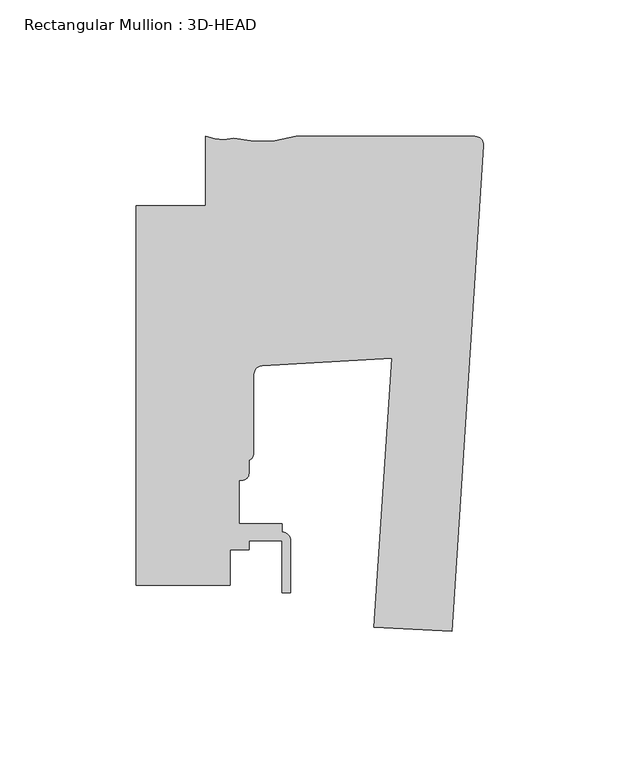
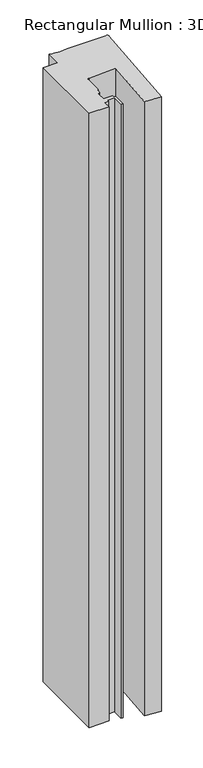
"""IFC4 building model written with IfcOpenShell, lengths in millimetres: member geometry, Rectangular Mullion : 3D-HEAD."""

from ifc_helpers import new_model, si_unit, point, frame, frame_2d, origin, place, context, project, spatial, polyline, circle_curve, trimmed, segment, composite_curve, outline, extrude, source, transform, mapped, element, save


def rectangular_mullion_3d_head_67802b79(model_context):
    return source(origin(), model_context, "Body", "SweptSolid", [
        extrude(outline(composite_curve([segment(polyline([(-11.5383887, -183.9116498), (-40.1652502, -182.4113796), (-33.647817, -83.7374579), (-81.3507626, -86.5806357)]), True, "CONTINUOUS"), segment(trimmed(circle_curve(frame_2d((-81.1875559, -89.7514382)), 3.175), [point((-81.3507626, -86.5806357))], [point((-84.3625559, -89.7514382))], True, "CARTESIAN"), True, "CONTINUOUS"), segment(polyline([(-84.3625559, -89.7514382), (-84.3625559, -118.4629255)]), True, "CONTINUOUS"), segment(trimmed(circle_curve(frame_2d((-87.5375559, -118.4629255)), 3.175), [point((-84.3625559, -118.4629255))], [point((-86.1405562, -121.3140685))], False, "CARTESIAN"), True, "CONTINUOUS"), segment(polyline([(-86.1405562, -121.3140685), (-86.1405562, -126.0450134)]), True, "CONTINUOUS"), segment(trimmed(circle_curve(frame_2d((-88.6805561, -126.0450134)), 2.5399999), [point((-86.1405562, -126.0450134))], [point((-88.6805561, -128.5850133))], False, "CARTESIAN"), True, "CONTINUOUS"), segment(polyline([(-88.6805561, -128.5850133), (-89.8235559, -128.5850133), (-89.8235559, -144.4600133), (-73.9485559, -144.4600133), (-73.9485559, -147.6350307)]), True, "CONTINUOUS"), segment(trimmed(circle_curve(frame_2d((-73.9380354, -150.8100133)), 3.175), [point((-73.9485559, -147.6350307))], [point((-70.7630354, -150.8100133))], False, "CARTESIAN"), True, "CONTINUOUS"), segment(polyline([(-70.7630354, -150.8100133), (-70.7630354, -169.8600133), (-73.9380354, -169.8600133), (-73.9380354, -150.8100133), (-86.1405562, -150.8100133), (-86.1405562, -153.9850133), (-92.9985559, -153.9850133), (-92.9985559, -167.0288125), (-127.4896668, -167.0288125), (-127.4896668, -27.837265), (-102.08978, -27.8367479), (-102.08978, -2.4368125)]), True, "CONTINUOUS"), segment(trimmed(circle_curve(frame_2d((-95.8348398, 13.0962674)), 16.7451739), [point((-102.08978, -2.4368125))], [point((-91.8088828, -3.1577327))], True, "CARTESIAN"), True, "CONTINUOUS"), segment(trimmed(circle_curve(frame_2d((-81.6714448, 38.5783094)), 42.9495617), [point((-91.8088828, -3.1577327))], [point((-68.9268525, -2.4368125))], True, "CARTESIAN"), True, "CONTINUOUS"), segment(polyline([(-68.9268525, -2.4368125), (-3.175, -2.4368125)]), True, "CONTINUOUS"), segment(trimmed(circle_curve(frame_2d((-3.175, -5.6118125)), 3.175), [point((-3.175, -2.4368125))], [point((-0.006635, -5.8169663))], False, "CARTESIAN"), True, "CONTINUOUS"), segment(polyline([(-0.006635, -5.8169663), (-11.5383887, -183.9116498)]), True, "CONTINUOUS")], self_intersect=False)), frame((0.0, 0.0, -1130.3), z_axis=(0.0, 0.0, 1.0), x_axis=(1.0, 0.0, 0.0)), (0.0, 0.0, 1.0), 1130.3),
    ])


if __name__ == "__main__":
    model = new_model("IFC4")
    model_context = context("Model", 3, world=origin())
    ifc_project = project(units=[si_unit("LENGTHUNIT", "METRE", prefix="MILLI")], contexts=[model_context])
    site = spatial("IfcSite", under=ifc_project)
    building = spatial("IfcBuilding", under=site)
    placement = place(None, origin())
    rectangular_mullion_3d_head_shape = rectangular_mullion_3d_head_67802b79(model_context)
    element("IfcMember", 1, ObjectType="Rectangular Mullion : 3D-HEAD", at=placement, inside=building, context=model_context, shape_type="MappedRepresentation", body=[
        mapped(rectangular_mullion_3d_head_shape, transform((0.0, 0.0, 0.0), x_axis=(1.0, 0.0, 0.0), y_axis=(0.0, 1.0, 0.0), z_axis=(0.0, 0.0, 1.0))),
    ])
    save(model, "model.ifc")
